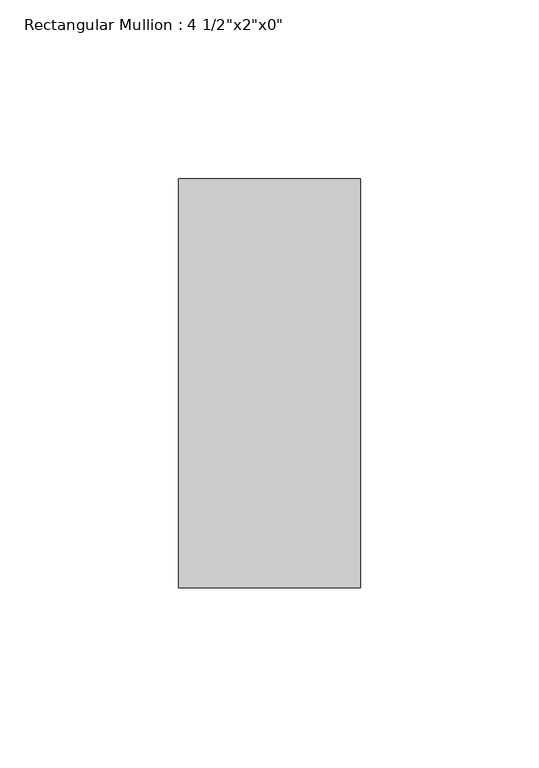
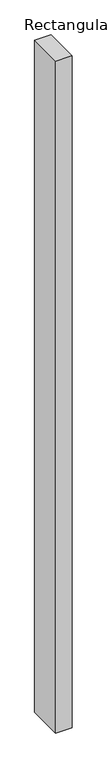
"""IFC4 building model written with IfcOpenShell, lengths in millimetres: member geometry."""

from ifc_helpers import new_model, si_unit, frame, origin, place, context, project, spatial, polyline, outline, extrude, source, transform, mapped, element, save


def member_a80456b2(model_context):
    return source(origin(), model_context, "Body", "SweptSolid", [
        extrude(outline(polyline([(0.0, 57.15), (0.0, -57.15), (-50.8, -57.15), (-50.8, 57.15), (0.0, 57.15)])), frame((0.0, 0.0, -2222.5), z_axis=(0.0, 0.0, 1.0), x_axis=(1.0, 0.0, 0.0)), (0.0, 0.0, 1.0), 2222.5),
    ])


if __name__ == "__main__":
    model = new_model("IFC4")
    model_context = context("Model", 3, world=origin())
    ifc_project = project(units=[si_unit("LENGTHUNIT", "METRE", prefix="MILLI")], contexts=[model_context])
    site = spatial("IfcSite", under=ifc_project)
    building = spatial("IfcBuilding", under=site)
    placement = place(None, origin())
    member_shape = member_a80456b2(model_context)
    element("IfcMember", 1, ObjectType="Rectangular Mullion : 4 1/2\"x2\"x0\"", at=placement, inside=building, context=model_context, shape_type="MappedRepresentation", body=[
        mapped(member_shape, transform((0.0, 0.0, 0.0), x_axis=(1.0, 0.0, 0.0), y_axis=(0.0, 1.0, 0.0), z_axis=(0.0, 0.0, 1.0))),
    ])
    save(model, "model.ifc")
